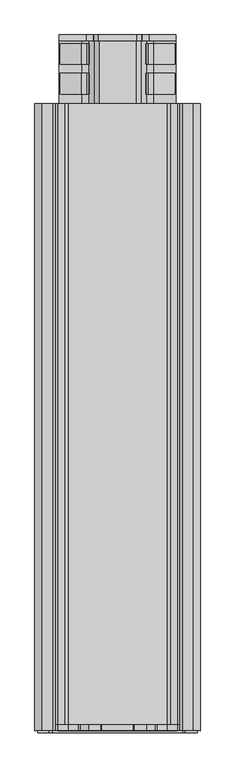
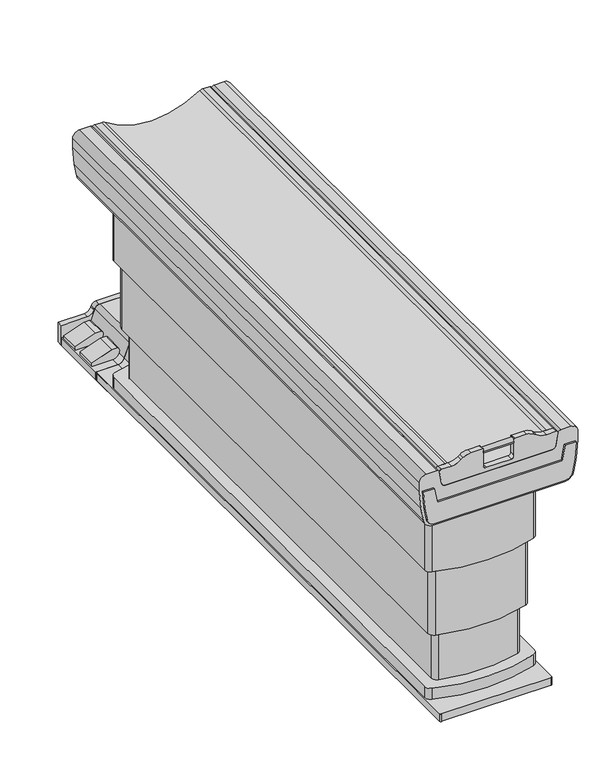
"""IFC4 building model written with IfcOpenShell, lengths in millimetres: proxy geometry."""

from ifc_helpers import new_model, si_unit, point, frame, frame_2d, origin, origin_with_axes, place, context, project, spatial, polyline, circle_curve, trimmed, segment, composite_curve, outline, extrude, source, transform, mapped, element, save
from ifc_brep_helpers import plane_surface, cylinder_surface, advanced_brep


def specialty_equipment_bc34f67b(model_context):
    return source(origin(), model_context, "Body", "SolidModel", [
        extrude(outline(composite_curve([segment(polyline([(28.2003, -196.617873), (28.2003, -122.5630228)]), True, "CONTINUOUS"), segment(trimmed(circle_curve(frame_2d((53.6003, -122.5630228)), 25.4), [point((28.2003, -122.5630228))], [point((63.9702255, -99.3762885))], False, "CARTESIAN"), True, "CONTINUOUS"), segment(polyline([(63.9702255, -99.3762885), (66.9622349, -103.898895), (66.9622349, -125.0132953), (40.9003, -196.617873), (28.2003, -196.617873)]), True, "CONTINUOUS")], self_intersect=False)), frame((0.0, -956.7511337, 0.0), z_axis=(0.0, 1.0, 0.0), x_axis=(0.0, 0.0, 1.0)), (0.0, 0.0, 1.0), 70.4790343),
        extrude(outline(composite_curve([segment(polyline([(28.2003, -196.617873), (28.2003, -122.5630228)]), True, "CONTINUOUS"), segment(trimmed(circle_curve(frame_2d((53.6003, -122.5630228)), 25.4), [point((28.2003, -122.5630228))], [point((63.9702255, -99.3762885))], False, "CARTESIAN"), True, "CONTINUOUS"), segment(polyline([(63.9702255, -99.3762885), (66.9622349, -103.898895), (66.9622349, -125.0132953), (40.9003, -196.617873), (28.2003, -196.617873)]), True, "CONTINUOUS")], self_intersect=False)), frame((0.0, -855.1511337, 0.0), z_axis=(0.0, 1.0, 0.0), x_axis=(0.0, 0.0, 1.0)), (0.0, 0.0, 1.0), 70.4790343),
        extrude(outline(composite_curve([segment(polyline([(28.2003, 197.314917), (40.9003, 197.314917), (66.9622349, 125.7103393), (66.9622349, 104.5959391), (63.9702255, 100.0733326)]), True, "CONTINUOUS"), segment(trimmed(circle_curve(frame_2d((53.6003, 123.2600668)), 25.4), [point((63.9702255, 100.0733326))], [point((28.2003, 123.2600668))], False, "CARTESIAN"), True, "CONTINUOUS"), segment(polyline([(28.2003, 123.2600668), (28.2003, 197.314917)]), True, "CONTINUOUS")], self_intersect=False)), frame((0.0, -956.7511337, 0.0), z_axis=(0.0, 1.0, 0.0), x_axis=(0.0, 0.0, 1.0)), (0.0, 0.0, 1.0), 70.4790343),
        extrude(outline(composite_curve([segment(polyline([(28.2003, 197.314917), (40.9003, 197.314917), (66.9622349, 125.7103393), (66.9622349, 104.5959391), (63.9702255, 100.0733326)]), True, "CONTINUOUS"), segment(trimmed(circle_curve(frame_2d((53.6003, 123.2600668)), 25.4), [point((63.9702255, 100.0733326))], [point((28.2003, 123.2600668))], False, "CARTESIAN"), True, "CONTINUOUS"), segment(polyline([(28.2003, 123.2600668), (28.2003, 197.314917)]), True, "CONTINUOUS")], self_intersect=False)), frame((0.0, -855.1511337, 0.0), z_axis=(0.0, 1.0, 0.0), x_axis=(0.0, 0.0, 1.0)), (0.0, 0.0, 1.0), 70.4790343),
        extrude(outline(composite_curve([segment(polyline([(74.3370828, 200.9707652), (74.3370828, 108.2010594)]), True, "CONTINUOUS"), segment(trimmed(circle_curve(frame_2d((99.7370828, 108.2010594)), 25.4), [point((74.3370828, 108.2010594))], [point((91.0497711, 84.3328669))], True, "CARTESIAN"), True, "CONTINUOUS"), segment(polyline([(91.0497711, 84.3328669), (95.1400665, 82.8441211)]), True, "CONTINUOUS"), segment(trimmed(circle_curve(frame_2d((88.6245828, 64.9429767)), 19.05), [point((95.1400665, 82.8441211))], [point((107.6745828, 64.9429767))], False, "CARTESIAN"), True, "CONTINUOUS"), segment(polyline([(107.6745828, 64.9429767), (107.6745828, -64.2459326)]), True, "CONTINUOUS"), segment(trimmed(circle_curve(frame_2d((88.6245828, -64.2459326)), 19.05), [point((107.6745828, -64.2459326))], [point((95.1400665, -82.147077))], False, "CARTESIAN"), True, "CONTINUOUS"), segment(polyline([(95.1400665, -82.147077), (91.0497711, -83.6358228)]), True, "CONTINUOUS"), segment(trimmed(circle_curve(frame_2d((99.7370828, -107.5040154)), 25.4), [point((91.0497711, -83.6358228))], [point((74.3370828, -107.5040154))], True, "CARTESIAN"), True, "CONTINUOUS"), segment(polyline([(74.3370828, -107.5040154), (74.3370828, -200.4337521), (0.0, -200.4337521), (0.0, 200.9707652), (74.3370828, 200.9707652)]), True, "CONTINUOUS")], self_intersect=False)), frame((0.0, -775.103083, 0.0), z_axis=(0.0, 1.0, 0.0), x_axis=(0.0, 0.0, 1.0)), (0.0, 0.0, 1.0), 20.6014487),
        advanced_brep(
        [(-200.4337521, -994.2776343, 28.2003), (-200.4337521, -3118.1275783, 28.2003), (-195.6032408, -3122.9535783, 28.2003), (196.1447653, -3122.9535783, 28.2003), (200.9707653, -3118.1275783, 28.2003), (200.9707652, -994.2289638, 28.2003), (196.8238393, -989.4516343, 28.2003), (-195.6077521, -989.4516343, 28.2003), (-196.617873, -3018.1693356, 28.2003), (-196.617873, -1094.3575364, 28.2003), (-181.2822987, -1073.0458479, 28.2003), (181.9793428, -1073.0458479, 28.2003), (197.314917, -1094.3575364, 28.2003), (197.314917, -3018.1693356, 28.2003), (181.9793428, -3039.481024, 28.2003), (-181.2822987, -3039.481024, 28.2003), (-200.4337521, -994.2776343, 0.0), (-195.6077521, -989.4516343, 0.0), (196.8238393, -989.4516343, 0.0), (200.9662453, -994.2289638, 0.0), (200.9707653, -3118.1275783, 0.0), (196.1447653, -3122.9535783, 0.0), (-195.6032408, -3122.9535783, 0.0), (-200.4292408, -3118.1275783, 0.0), (-196.617873, -1094.3575364, 69.5745828), (-196.617873, -3018.1693356, 69.5745828), (-181.2822987, -3039.481024, 69.5745828), (181.9793428, -3039.481024, 69.5745828), (197.314917, -3018.1693356, 69.5745828), (197.314917, -1094.3575364, 69.5745828), (181.9793428, -1073.0458479, 69.5745828), (-181.2822987, -1073.0458479, 69.5745828)],
        [
            (0, 1),
            (1, 2, circle_curve(frame((-195.6032408, -3118.1275783, 28.2003), z_axis=(0.0, 0.0, 1.0), x_axis=(-0.9999999920744435, -0.00012590120354916652, 0.0)), 4.826)),
            (2, 3),
            (3, 4, circle_curve(frame((196.1447653, -3118.1275783, 28.2003), z_axis=(0.0, 0.0, 1.0), x_axis=(0.0, -1.0, 0.0)), 4.826)),
            (4, 5),
            (5, 6, circle_curve(frame((196.1402453, -994.2289741, 28.2003), z_axis=(0.0, 0.0, 1.0), x_axis=(0.9999999999977356, 2.1281168546681103e-06, 0.0)), 4.826)),
            (6, 7),
            (7, 0, circle_curve(frame((-195.6077521, -994.2776343, 28.2003), z_axis=(0.0, 0.0, 1.0), x_axis=(-0.0001120377877256416, 0.9999999937237671, 0.0)), 4.826)),
            (8, 9),
            (9, 10, circle_curve(frame((-174.1417697, -1094.3575364, 28.2003), z_axis=(0.0, 0.0, -1.0), x_axis=(1.0, 0.0, 0.0)), 22.4761033)),
            (10, 11, circle_curve(frame((0.348522, -1615.1428587, 28.2003), z_axis=(0.0, 0.0, -1.0), x_axis=(1.0, 0.0, 0.0)), 571.7157722)),
            (11, 12, circle_curve(frame((174.8388137, -1094.3575364, 28.2003), z_axis=(0.0, 0.0, -1.0), x_axis=(-1.0, 0.0, 0.0)), 22.4761033)),
            (12, 13),
            (13, 14, circle_curve(frame((174.8388137, -3018.1693356, 28.2003), z_axis=(0.0, 0.0, -1.0), x_axis=(-1.0, 0.0, 0.0)), 22.4761033)),
            (14, 15, circle_curve(frame((0.348522, -2497.3840132, 28.2003), z_axis=(0.0, 0.0, -1.0), x_axis=(1.0, 0.0, 0.0)), 571.7157722)),
            (15, 8, circle_curve(frame((-174.1417697, -3018.1693356, 28.2003), z_axis=(0.0, 0.0, -1.0), x_axis=(1.0, 0.0, 0.0)), 22.4761033)),
            (16, 17, circle_curve(frame((-195.6077521, -994.2776343, 0.0), z_axis=(0.0, 0.0, -1.0), x_axis=(-0.0001120377877256416, 0.9999999937237671, 0.0)), 4.826)),
            (17, 18),
            (18, 19, circle_curve(frame((196.1402453, -994.2289741, 0.0), z_axis=(0.0, 0.0, -1.0), x_axis=(0.9999999999977356, 2.1281168546681103e-06, 0.0)), 4.826)),
            (19, 20),
            (20, 21, circle_curve(frame((196.1447653, -3118.1275783, 0.0), z_axis=(0.0, 0.0, -1.0), x_axis=(0.0, -1.0, 0.0)), 4.826)),
            (21, 22),
            (22, 23, circle_curve(frame((-195.6032408, -3118.1275783, 0.0), z_axis=(0.0, 0.0, -1.0), x_axis=(-0.9999999920744435, -0.00012590120354916652, 0.0)), 4.826)),
            (23, 16),
            (0, 16),
            (23, 1),
            (22, 2),
            (21, 3),
            (20, 4),
            (19, 5),
            (18, 6),
            (17, 7),
            (24, 25),
            (25, 26, circle_curve(frame((-174.1417697, -3018.1693356, 69.5745828), z_axis=(0.0, 0.0, 1.0), x_axis=(1.0, 0.0, 0.0)), 22.4761033)),
            (26, 27, circle_curve(frame((0.348522, -2497.3840132, 69.5745828), z_axis=(0.0, 0.0, 1.0), x_axis=(1.0, 0.0, 0.0)), 571.7157722)),
            (27, 28, circle_curve(frame((174.8388137, -3018.1693356, 69.5745828), z_axis=(0.0, 0.0, 1.0), x_axis=(-1.0, 0.0, 0.0)), 22.4761033)),
            (28, 29),
            (29, 30, circle_curve(frame((174.8388137, -1094.3575364, 69.5745828), z_axis=(0.0, 0.0, 1.0), x_axis=(-1.0, 0.0, 0.0)), 22.4761033)),
            (30, 31, circle_curve(frame((0.348522, -1615.1428587, 69.5745828), z_axis=(0.0, 0.0, 1.0), x_axis=(1.0, 0.0, 0.0)), 571.7157722)),
            (31, 24, circle_curve(frame((-174.1417697, -1094.3575364, 69.5745828), z_axis=(0.0, 0.0, 1.0), x_axis=(1.0, 0.0, 0.0)), 22.4761033)),
            (24, 9),
            (8, 25),
            (28, 13),
            (12, 29),
            (15, 26),
            (14, 27),
            (11, 30),
            (10, 31),
        ],
        [
            plane_surface(frame((-200.4337521, -994.2776446, 28.2003), z_axis=(0.0, 0.0, 1.0), x_axis=(0.0, -1.0, 0.0))),
            plane_surface(frame((-200.4337521, -994.2776446, 0.0), z_axis=(0.0, 0.0, -1.0), x_axis=(0.0, 1.0, 0.0))),
            plane_surface(frame((-200.4337521, -994.2776343, 28.2003), z_axis=(-1.0, 0.0, 0.0), x_axis=(0.0, 0.0, -1.0))),
            cylinder_surface(frame((-195.6032408, -3118.1275783, 0.0), z_axis=(0.0, 0.0, 1.0), x_axis=(-0.9999999920744435, -0.00012590120354916652, 0.0)), 4.826),
            plane_surface(frame((-195.6032408, -3122.9535783, 28.2003), z_axis=(0.0, -1.0, 0.0), x_axis=(0.0, 0.0, -1.0))),
            cylinder_surface(frame((196.1447653, -3118.1275783, 0.0), z_axis=(0.0, 0.0, 1.0), x_axis=(0.0, -1.0, 0.0)), 4.826),
            plane_surface(frame((200.9707653, -3118.1275783, 28.2003), z_axis=(1.0, 1.8065360489955816e-11, 0.0), x_axis=(0.0, 0.0, -1.0))),
            cylinder_surface(frame((196.1402453, -994.2289741, 0.0), z_axis=(0.0, 0.0, 1.0), x_axis=(0.9999999999977356, 2.1281168546681103e-06, 0.0)), 4.826),
            plane_surface(frame((196.8238393, -989.4516343, 28.2003), z_axis=(0.0, 1.0, 0.0), x_axis=(0.0, 0.0, -1.0))),
            cylinder_surface(frame((-195.6077521, -994.2776343, 0.0), z_axis=(0.0, 0.0, 1.0000000000000002), x_axis=(-0.0001120377877256416, 0.9999999937237671, 0.0)), 4.826),
            plane_surface(frame((-196.617873, -1834.0997854, 69.5745828), z_axis=(0.0, 0.0, 1.0), x_axis=(0.0, -1.0, 0.0))),
            plane_surface(frame((-196.617873, -1094.3575364, 69.5745828), z_axis=(-1.0, 0.0, 0.0), x_axis=(0.0, 0.0, -1.0))),
            plane_surface(frame((197.314917, -3018.1693356, 69.5745828), z_axis=(1.0, 0.0, 0.0), x_axis=(0.0, 0.0, -1.0))),
            cylinder_surface(frame((-174.1417697, -3018.1693356, 0.0), z_axis=(0.0, 0.0, 1.0), x_axis=(1.0, 0.0, 0.0)), 22.4761033),
            cylinder_surface(frame((0.348522, -2497.3840132, 0.0), z_axis=(0.0, 0.0, 1.0), x_axis=(1.0, 0.0, 0.0)), 571.7157722),
            cylinder_surface(frame((174.8388137, -3018.1693356, 0.0), z_axis=(0.0, 0.0, 1.0), x_axis=(-1.0, 0.0, 0.0)), 22.4761033),
            cylinder_surface(frame((174.8388137, -1094.3575364, 0.0), z_axis=(0.0, 0.0, 1.0), x_axis=(-1.0, 0.0, 0.0)), 22.4761033),
            cylinder_surface(frame((0.348522, -1615.1428587, 0.0), z_axis=(0.0, 0.0, 1.0), x_axis=(1.0, 0.0, 0.0)), 571.7157722),
            cylinder_surface(frame((-174.1417697, -1094.3575364, 0.0), z_axis=(0.0, 0.0, 1.0), x_axis=(1.0, 0.0, 0.0)), 22.4761033),
        ],
        [
            (0, [[1, 2, 3, 4, 5, 6, 7, 8], [9, 10, 11, 12, 13, 14, 15, 16]]),
            (1, [[17, 18, 19, 20, 21, 22, 23, 24]]),
            (2, [[-1, 25, -24, 26]]),
            (3, [[-2, -26, -23, 27]]),
            (4, [[-3, -27, -22, 28]]),
            (5, [[-4, -28, -21, 29]]),
            (6, [[-5, -29, -20, 30]]),
            (7, [[-6, -30, -19, 31]]),
            (8, [[-7, -31, -18, 32]]),
            (9, [[-8, -32, -17, -25]]),
            (10, [[33, 34, 35, 36, 37, 38, 39, 40]]),
            (11, [[-33, 41, -9, 42]]),
            (12, [[-37, 43, -13, 44]]),
            (13, [[-34, -42, -16, 45]]),
            (14, [[-35, -45, -15, 46]]),
            (15, [[-36, -46, -14, -43]]),
            (16, [[-38, -44, -12, 47]]),
            (17, [[-39, -47, -11, 48]]),
            (18, [[-40, -48, -10, -41]]),
        ],
    ),
        extrude(outline(composite_curve([segment(polyline([(28.2003, 200.9707652), (28.2003, 123.2600668)]), True, "CONTINUOUS"), segment(trimmed(circle_curve(frame_2d((53.6003, 123.2600668)), 25.4), [point((28.2003, 123.2600668))], [point((44.9129883, 99.3918743))], True, "CARTESIAN"), True, "CONTINUOUS"), segment(polyline([(44.9129883, 99.3918743), (95.1400665, 81.1107129)]), True, "CONTINUOUS"), segment(trimmed(circle_curve(frame_2d((88.6245828, 63.2095684)), 19.05), [point((95.1400665, 81.1107129))], [point((107.6745828, 63.2095684))], False, "CARTESIAN"), True, "CONTINUOUS"), segment(polyline([(107.6745828, 63.2095684), (107.6745828, -62.5125244)]), True, "CONTINUOUS"), segment(trimmed(circle_curve(frame_2d((88.6245828, -62.5125244)), 19.05), [point((107.6745828, -62.5125244))], [point((95.1400665, -80.4136688))], False, "CARTESIAN"), True, "CONTINUOUS"), segment(polyline([(95.1400665, -80.4136688), (44.9129883, -98.6948302)]), True, "CONTINUOUS"), segment(trimmed(circle_curve(frame_2d((53.6003, -122.5630228)), 25.4), [point((44.9129883, -98.6948302))], [point((28.2003, -122.5630228))], True, "CARTESIAN"), True, "CONTINUOUS"), segment(polyline([(28.2003, -122.5630228), (28.2003, -200.4337521), (0.0, -200.4337521), (0.0, 200.9707652), (28.2003, 200.9707652)]), True, "CONTINUOUS")], self_intersect=False)), frame((0.0, -1139.4378977, 0.0), z_axis=(0.0, 1.0, 0.0), x_axis=(0.0, 0.0, 1.0)), (0.0, 0.0, 1.0), 149.9862634),
        extrude(outline(composite_curve([segment(polyline([(28.2003, 200.9707652), (28.2003, 123.2600668)]), True, "CONTINUOUS"), segment(trimmed(circle_curve(frame_2d((53.6003, 123.2600668)), 25.4), [point((28.2003, 123.2600668))], [point((44.9129883, 99.3918743))], True, "CARTESIAN"), True, "CONTINUOUS"), segment(polyline([(44.9129883, 99.3918743), (95.1400665, 81.1107129)]), True, "CONTINUOUS"), segment(trimmed(circle_curve(frame_2d((88.6245828, 63.2095684)), 19.05), [point((95.1400665, 81.1107129))], [point((107.6745828, 63.2095684))], False, "CARTESIAN"), True, "CONTINUOUS"), segment(polyline([(107.6745828, 63.2095684), (107.6745828, -62.5125244)]), True, "CONTINUOUS"), segment(trimmed(circle_curve(frame_2d((88.6245828, -62.5125244)), 19.05), [point((107.6745828, -62.5125244))], [point((95.1400665, -80.4136688))], False, "CARTESIAN"), True, "CONTINUOUS"), segment(polyline([(95.1400665, -80.4136688), (44.9129883, -98.6948302)]), True, "CONTINUOUS"), segment(trimmed(circle_curve(frame_2d((53.6003, -122.5630228)), 25.4), [point((44.9129883, -98.6948302))], [point((28.2003, -122.5630228))], True, "CARTESIAN"), True, "CONTINUOUS"), segment(polyline([(28.2003, -122.5630228), (28.2003, -200.4337521), (0.0, -200.4337521), (0.0, 200.9707652), (28.2003, 200.9707652)]), True, "CONTINUOUS")], self_intersect=False)), frame((0.0, -989.4516343, 0.0), z_axis=(0.0, 1.0, 0.0), x_axis=(0.0, 0.0, 1.0)), (0.0, 0.0, 1.0), 214.3485513),
        extrude(outline(composite_curve([segment(trimmed(circle_curve(frame_2d((0.348522, -1615.1428587)), 551.7157722), [point((-160.685126, -1087.4512277))], [point((161.3821701, -1087.4512277))], False, "CARTESIAN"), True, "CONTINUOUS"), segment(trimmed(circle_curve(frame_2d((154.814917, -1108.9714783)), 22.5), [point((161.3821701, -1087.4512277))], [point((177.314917, -1108.9714783))], False, "CARTESIAN"), True, "CONTINUOUS"), segment(polyline([(177.314917, -1108.9714783), (177.314917, -3003.5553936)]), True, "CONTINUOUS"), segment(trimmed(circle_curve(frame_2d((154.814917, -3003.5553936)), 22.5), [point((177.314917, -3003.5553936))], [point((161.3821701, -3025.0756442))], False, "CARTESIAN"), True, "CONTINUOUS"), segment(trimmed(circle_curve(frame_2d((0.348522, -2497.3840132)), 551.7157722), [point((161.3821701, -3025.0756442))], [point((-160.685126, -3025.0756442))], False, "CARTESIAN"), True, "CONTINUOUS"), segment(trimmed(circle_curve(frame_2d((-154.117873, -3003.5553936)), 22.5), [point((-160.685126, -3025.0756442))], [point((-176.617873, -3003.5553936))], False, "CARTESIAN"), True, "CONTINUOUS"), segment(polyline([(-176.617873, -3003.5553936), (-176.617873, -1108.9714783)]), True, "CONTINUOUS"), segment(trimmed(circle_curve(frame_2d((-154.117873, -1108.9714783)), 22.5), [point((-176.617873, -1108.9714783))], [point((-160.685126, -1087.4512277))], False, "CARTESIAN"), True, "CONTINUOUS")], self_intersect=False)), frame((0.0, 0.0, 255.0), z_axis=(0.0, 0.0, 1.0), x_axis=(1.0, 0.0, 0.0)), (0.0, 0.0, 1.0), 255.0),
        extrude(outline(composite_curve([segment(trimmed(circle_curve(frame_2d((0.348522, -1615.1428587)), 531.7157722), [point((-140.0593501, -1102.3004932))], [point((140.7563942, -1102.3004932))], False, "CARTESIAN"), True, "CONTINUOUS"), segment(trimmed(circle_curve(frame_2d((134.814917, -1124.0018492)), 22.5), [point((140.7563942, -1102.3004932))], [point((157.314917, -1124.0018492))], False, "CARTESIAN"), True, "CONTINUOUS"), segment(polyline([(157.314917, -1124.0018492), (157.314917, -2988.5250227)]), True, "CONTINUOUS"), segment(trimmed(circle_curve(frame_2d((134.814917, -2988.5250227)), 22.5), [point((157.314917, -2988.5250227))], [point((140.7563942, -3010.2263787))], False, "CARTESIAN"), True, "CONTINUOUS"), segment(trimmed(circle_curve(frame_2d((0.348522, -2497.3840132)), 531.7157722), [point((140.7563942, -3010.2263787))], [point((-140.0593501, -3010.2263787))], False, "CARTESIAN"), True, "CONTINUOUS"), segment(trimmed(circle_curve(frame_2d((-134.117873, -2988.5250227)), 22.5), [point((-140.0593501, -3010.2263787))], [point((-156.617873, -2988.5250227))], False, "CARTESIAN"), True, "CONTINUOUS"), segment(polyline([(-156.617873, -2988.5250227), (-156.617873, -1124.0018492)]), True, "CONTINUOUS"), segment(trimmed(circle_curve(frame_2d((-134.117873, -1124.0018492)), 22.5), [point((-156.617873, -1124.0018492))], [point((-140.0593501, -1102.3004932))], False, "CARTESIAN"), True, "CONTINUOUS")], self_intersect=False)), origin_with_axes(), (0.0, 0.0, 1.0), 255.0),
        extrude(outline(composite_curve([segment(trimmed(circle_curve(frame_2d((-3127.9359549, 978.8051245)), 10.0), [point((-3137.9359549, 978.8051245))], [point((-3117.9359549, 978.8051245))], False, "CARTESIAN"), True, "CONTINUOUS"), segment(trimmed(circle_curve(frame_2d((-3127.9359549, 978.8051245)), 10.0), [point((-3117.9359549, 978.8051245))], [point((-3137.9359549, 978.8051245))], False, "CARTESIAN"), True, "CONTINUOUS")], self_intersect=False)), frame((-54.651478, 0.0, 0.0), z_axis=(1.0, 0.0, 0.0), x_axis=(0.0, 1.0, 0.0)), (0.0, 0.0, 1.0), 110.0),
        extrude(outline(composite_curve([segment(trimmed(circle_curve(frame_2d((914.1454335, 191.9078432)), 12.8370287), [point((901.3084047, 191.9078432))], [point((911.9163068, 204.5498486))], False, "CARTESIAN"), True, "CONTINUOUS"), segment(polyline([(911.9163068, 204.5498486), (957.353719, 212.5616903)]), True, "CONTINUOUS"), segment(trimmed(circle_curve(frame_2d((958.4850314, 206.1456988)), 6.5149686), [point((957.353719, 212.5616903))], [point((965.0, 206.1456988))], False, "CARTESIAN"), True, "CONTINUOUS"), segment(polyline([(965.0, 206.1456988), (965.0, 170.4390625)]), True, "CONTINUOUS"), segment(trimmed(circle_curve(frame_2d((1025.0, 170.4390625)), 60.0), [point((965.0, 170.4390625))], [point((976.6650635, 134.8900272))], True, "CARTESIAN"), True, "CONTINUOUS"), segment(polyline([(976.6650635, 134.8900272), (981.6845331, 128.0652078)]), True, "CONTINUOUS"), segment(trimmed(circle_curve(frame_2d((942.8670577, 99.5160071)), 48.1856125), [point((981.6845331, 128.0652078))], [point((991.0526702, 99.5160071))], False, "CARTESIAN"), True, "CONTINUOUS"), segment(polyline([(991.0526702, 99.5160071), (991.0526702, 57.5401867)]), True, "CONTINUOUS"), segment(trimmed(circle_curve(frame_2d((988.8610055, 57.5401867)), 2.1916647), [point((991.0526702, 57.5401867))], [point((988.8610055, 55.348522))], False, "CARTESIAN"), True, "CONTINUOUS"), segment(polyline([(988.8610055, 55.348522), (926.3084047, 55.348522)]), True, "CONTINUOUS"), segment(trimmed(circle_curve(frame_2d((926.3084047, 45.348522)), 10.0), [point((926.3084047, 55.348522))], [point((916.3084047, 45.348522))], True, "CARTESIAN"), True, "CONTINUOUS"), segment(polyline([(916.3084047, 45.348522), (916.3084047, -44.651478)]), True, "CONTINUOUS"), segment(trimmed(circle_curve(frame_2d((926.3084047, -44.651478)), 10.0), [point((916.3084047, -44.651478))], [point((926.3084047, -54.651478))], True, "CARTESIAN"), True, "CONTINUOUS"), segment(polyline([(926.3084047, -54.651478), (988.7053298, -54.651478)]), True, "CONTINUOUS"), segment(trimmed(circle_curve(frame_2d((988.7053298, -56.9988184)), 2.3473404), [point((988.7053298, -54.651478))], [point((991.0526702, -56.9988184))], False, "CARTESIAN"), True, "CONTINUOUS"), segment(polyline([(991.0526702, -56.9988184), (991.0526702, -98.818963)]), True, "CONTINUOUS"), segment(trimmed(circle_curve(frame_2d((942.8670577, -98.818963)), 48.1856125), [point((991.0526702, -98.818963))], [point((981.6845331, -127.3681637))], False, "CARTESIAN"), True, "CONTINUOUS"), segment(polyline([(981.6845331, -127.3681637), (976.6650635, -134.1929831)]), True, "CONTINUOUS"), segment(trimmed(circle_curve(frame_2d((1025.0, -169.7420184)), 60.0), [point((976.6650635, -134.1929831))], [point((965.0, -169.7420184))], True, "CARTESIAN"), True, "CONTINUOUS"), segment(polyline([(965.0, -169.7420184), (965.0, -205.4486547)]), True, "CONTINUOUS"), segment(trimmed(circle_curve(frame_2d((958.4850314, -205.4486547)), 6.5149686), [point((965.0, -205.4486547))], [point((957.353719, -211.8646463))], False, "CARTESIAN"), True, "CONTINUOUS"), segment(polyline([(957.353719, -211.8646463), (911.9163068, -203.8528046)]), True, "CONTINUOUS"), segment(trimmed(circle_curve(frame_2d((914.1454335, -191.2107991)), 12.8370287), [point((911.9163068, -203.8528046))], [point((901.3084047, -191.2107991))], False, "CARTESIAN"), True, "CONTINUOUS"), segment(polyline([(901.3084047, -191.2107991), (901.3084047, 191.9078432)]), True, "CONTINUOUS")], self_intersect=False)), frame((0.0, -3137.9791883, 0.0), z_axis=(0.0, 1.0, 0.0), x_axis=(0.0, 0.0, 1.0)), (0.0, 0.0, 1.0), 19.8762806),
        extrude(outline(composite_curve([segment(polyline([(843.8280322, -267.743683), (795.6587956, -259.2501469)]), True, "CONTINUOUS"), segment(trimmed(circle_curve(frame_2d((800.0, -234.6299531)), 25.0), [point((795.6587956, -259.2501469))], [point((775.0, -234.6299531))], False, "CARTESIAN"), True, "CONTINUOUS"), segment(polyline([(775.0, -234.6299531), (775.0, 235.3269972)]), True, "CONTINUOUS"), segment(trimmed(circle_curve(frame_2d((800.0, 235.3269972)), 25.0), [point((775.0, 235.3269972))], [point((795.6587956, 259.947191))], False, "CARTESIAN"), True, "CONTINUOUS"), segment(polyline([(795.6587956, 259.947191), (843.8280322, 268.4407271)]), True, "CONTINUOUS"), segment(trimmed(circle_curve(frame_2d((906.3413762, -86.090064)), 360.0), [point((843.8280322, 268.4407271))], [point((906.3413762, 273.909936))], False, "CARTESIAN"), True, "CONTINUOUS"), segment(polyline([(906.3413762, 273.909936), (906.3413762, 234.0296363), (851.3084047, 224.3258386), (851.3084047, -223.6287945), (906.3413762, -233.3325922), (906.3413762, -273.2128919)]), True, "CONTINUOUS"), segment(trimmed(circle_curve(frame_2d((906.3413762, 86.7871081)), 360.0), [point((906.3413762, -273.2128919))], [point((843.8280322, -267.743683))], False, "CARTESIAN"), True, "CONTINUOUS")], self_intersect=False)), frame((0.0, -3144.9731677, 0.0), z_axis=(0.0, 1.0, 0.0), x_axis=(0.0, 0.0, 1.0)), (0.0, 0.0, 1.0), 6.9939794),
        extrude(outline(composite_curve([segment(trimmed(circle_curve(frame_2d((914.1454335, 191.9078432)), 12.8370287), [point((901.3084047, 191.9078432))], [point((911.9163068, 204.5498486))], False, "CARTESIAN"), True, "CONTINUOUS"), segment(polyline([(911.9163068, 204.5498486), (957.353719, 212.5616903)]), True, "CONTINUOUS"), segment(trimmed(circle_curve(frame_2d((958.4850314, 206.1456988)), 6.5149686), [point((957.353719, 212.5616903))], [point((965.0, 206.1456988))], False, "CARTESIAN"), True, "CONTINUOUS"), segment(polyline([(965.0, 206.1456988), (965.0, 181.3500482)]), True, "CONTINUOUS"), segment(trimmed(circle_curve(frame_2d((945.0, 181.3500482)), 20.0), [point((965.0, 181.3500482))], [point((961.4925555, 170.0365336))], False, "CARTESIAN"), True, "CONTINUOUS"), segment(trimmed(circle_curve(frame_2d((1208.8594478, 0.348522)), 299.974), [point((961.4925555, 170.0365336))], [point((961.4925555, -169.3394895))], True, "CARTESIAN"), True, "CONTINUOUS"), segment(trimmed(circle_curve(frame_2d((945.0, -180.6530041)), 20.0), [point((961.4925555, -169.3394895))], [point((965.0, -180.6530041))], False, "CARTESIAN"), True, "CONTINUOUS"), segment(polyline([(965.0, -180.6530041), (965.0, -205.4486547)]), True, "CONTINUOUS"), segment(trimmed(circle_curve(frame_2d((958.4850314, -205.4486547)), 6.5149686), [point((965.0, -205.4486547))], [point((957.353719, -211.8646463))], False, "CARTESIAN"), True, "CONTINUOUS"), segment(polyline([(957.353719, -211.8646463), (911.9163068, -203.8528046)]), True, "CONTINUOUS"), segment(trimmed(circle_curve(frame_2d((914.1454335, -191.2107991)), 12.8370287), [point((911.9163068, -203.8528046))], [point((901.3084047, -191.2107991))], False, "CARTESIAN"), True, "CONTINUOUS"), segment(polyline([(901.3084047, -191.2107991), (901.3084047, 191.9078432)]), True, "CONTINUOUS")], self_intersect=False)), frame((0.0, -3118.1029077, 0.0), z_axis=(0.0, 1.0, 0.0), x_axis=(0.0, 0.0, 1.0)), (0.0, 0.0, 1.0), 2128.6512734),
        extrude(outline(composite_curve([segment(trimmed(circle_curve(frame_2d((800.0, 235.3269972)), 35.0), [point((765.0, 235.3269972))], [point((793.9223138, 269.7952685))], False, "CARTESIAN"), True, "CONTINUOUS"), segment(polyline([(793.9223138, 269.7952685), (842.0915504, 278.2888046)]), True, "CONTINUOUS"), segment(trimmed(circle_curve(frame_2d((906.3413762, -86.090064)), 370.0), [point((842.0915504, 278.2888046))], [point((906.3413762, 283.909936))], False, "CARTESIAN"), True, "CONTINUOUS"), segment(polyline([(906.3413762, 283.909936), (940.0, 283.909936)]), True, "CONTINUOUS"), segment(trimmed(circle_curve(frame_2d((940.0, 258.909936)), 25.0), [point((940.0, 283.909936))], [point((965.0, 258.909936))], False, "CARTESIAN"), True, "CONTINUOUS"), segment(polyline([(965.0, 258.909936), (965.0, 222.3009323)]), True, "CONTINUOUS"), segment(trimmed(circle_curve(frame_2d((955.0, 222.3009323)), 10.0), [point((965.0, 222.3009323))], [point((956.7364818, 212.4528548))], False, "CARTESIAN"), True, "CONTINUOUS"), segment(polyline([(956.7364818, 212.4528548), (911.9163068, 204.5498486)]), True, "CONTINUOUS"), segment(trimmed(circle_curve(frame_2d((914.1454335, 191.9078432)), 12.8370287), [point((911.9163068, 204.5498486))], [point((901.3084047, 191.9078432))], True, "CARTESIAN"), True, "CONTINUOUS"), segment(polyline([(901.3084047, 191.9078432), (901.3084047, -191.2107991)]), True, "CONTINUOUS"), segment(trimmed(circle_curve(frame_2d((914.1454335, -191.2107991)), 12.8370287), [point((901.3084047, -191.2107991))], [point((911.9163068, -203.8528046))], True, "CARTESIAN"), True, "CONTINUOUS"), segment(polyline([(911.9163068, -203.8528046), (956.7364818, -211.7558107)]), True, "CONTINUOUS"), segment(trimmed(circle_curve(frame_2d((955.0, -221.6038882)), 10.0), [point((956.7364818, -211.7558107))], [point((965.0, -221.6038882))], False, "CARTESIAN"), True, "CONTINUOUS"), segment(polyline([(965.0, -221.6038882), (965.0, -258.2128919)]), True, "CONTINUOUS"), segment(trimmed(circle_curve(frame_2d((940.0, -258.2128919)), 25.0), [point((965.0, -258.2128919))], [point((940.0, -283.2128919))], False, "CARTESIAN"), True, "CONTINUOUS"), segment(polyline([(940.0, -283.2128919), (906.3413762, -283.2128919)]), True, "CONTINUOUS"), segment(trimmed(circle_curve(frame_2d((906.3413762, 86.7871081)), 370.0), [point((906.3413762, -283.2128919))], [point((842.0915504, -277.5917605))], False, "CARTESIAN"), True, "CONTINUOUS"), segment(polyline([(842.0915504, -277.5917605), (793.9223138, -269.0982245)]), True, "CONTINUOUS"), segment(trimmed(circle_curve(frame_2d((800.0, -234.6299531)), 35.0), [point((793.9223138, -269.0982245))], [point((765.0, -234.6299531))], False, "CARTESIAN"), True, "CONTINUOUS"), segment(polyline([(765.0, -234.6299531), (765.0, 235.3269972)]), True, "CONTINUOUS")], self_intersect=False)), frame((0.0, -3137.9791883, 0.0), z_axis=(0.0, 1.0, 0.0), x_axis=(0.0, 0.0, 1.0)), (0.0, 0.0, 1.0), 2148.527554),
        extrude(outline(composite_curve([segment(trimmed(circle_curve(frame_2d((0.348522, -1615.1428587)), 551.7157722), [point((-160.685126, -1087.4512277))], [point((161.3821701, -1087.4512277))], False, "CARTESIAN"), True, "CONTINUOUS"), segment(trimmed(circle_curve(frame_2d((154.814917, -1108.9714783)), 22.5), [point((161.3821701, -1087.4512277))], [point((177.314917, -1108.9714783))], False, "CARTESIAN"), True, "CONTINUOUS"), segment(polyline([(177.314917, -1108.9714783), (177.314917, -3003.5553936)]), True, "CONTINUOUS"), segment(trimmed(circle_curve(frame_2d((154.814917, -3003.5553936)), 22.5), [point((177.314917, -3003.5553936))], [point((161.3821701, -3025.0756442))], False, "CARTESIAN"), True, "CONTINUOUS"), segment(trimmed(circle_curve(frame_2d((0.348522, -2497.3840132)), 551.7157722), [point((161.3821701, -3025.0756442))], [point((-160.685126, -3025.0756442))], False, "CARTESIAN"), True, "CONTINUOUS"), segment(trimmed(circle_curve(frame_2d((-154.117873, -3003.5553936)), 22.5), [point((-160.685126, -3025.0756442))], [point((-176.617873, -3003.5553936))], False, "CARTESIAN"), True, "CONTINUOUS"), segment(polyline([(-176.617873, -3003.5553936), (-176.617873, -1108.9714783)]), True, "CONTINUOUS"), segment(trimmed(circle_curve(frame_2d((-154.117873, -1108.9714783)), 22.5), [point((-176.617873, -1108.9714783))], [point((-160.685126, -1087.4512277))], False, "CARTESIAN"), True, "CONTINUOUS")], self_intersect=False)), frame((0.0, 0.0, 255.0), z_axis=(0.0, 0.0, 1.0), x_axis=(1.0, 0.0, 0.0)), (0.0, 0.0, 1.0), 255.0),
        extrude(outline(composite_curve([segment(trimmed(circle_curve(frame_2d((-174.1417697, -1094.3575364)), 22.4761033), [point((-196.617873, -1094.3575364))], [point((-181.2822987, -1073.0458479))], False, "CARTESIAN"), True, "CONTINUOUS"), segment(trimmed(circle_curve(frame_2d((0.348522, -1615.1428587)), 571.7157722), [point((-181.2822987, -1073.0458479))], [point((181.9793428, -1073.0458479))], False, "CARTESIAN"), True, "CONTINUOUS"), segment(trimmed(circle_curve(frame_2d((174.8388137, -1094.3575364)), 22.4761033), [point((181.9793428, -1073.0458479))], [point((197.314917, -1094.3575364))], False, "CARTESIAN"), True, "CONTINUOUS"), segment(polyline([(197.314917, -1094.3575364), (197.314917, -3018.1693356)]), True, "CONTINUOUS"), segment(trimmed(circle_curve(frame_2d((174.8388137, -3018.1693356)), 22.4761033), [point((197.314917, -3018.1693356))], [point((181.9793428, -3039.481024))], False, "CARTESIAN"), True, "CONTINUOUS"), segment(trimmed(circle_curve(frame_2d((0.348522, -2497.3840132)), 571.7157722), [point((181.9793428, -3039.481024))], [point((-181.2822987, -3039.481024))], False, "CARTESIAN"), True, "CONTINUOUS"), segment(trimmed(circle_curve(frame_2d((-174.1417697, -3018.1693356)), 22.4761033), [point((-181.2822987, -3039.481024))], [point((-196.617873, -3018.1693356))], False, "CARTESIAN"), True, "CONTINUOUS"), segment(polyline([(-196.617873, -3018.1693356), (-196.617873, -1094.3575364)]), True, "CONTINUOUS")], self_intersect=False)), frame((0.0, 0.0, 510.0), z_axis=(0.0, 0.0, 1.0), x_axis=(1.0, 0.0, 0.0)), (0.0, 0.0, 1.0), 255.0),
    ])


if __name__ == "__main__":
    model = new_model("IFC4")
    model_context = context("Model", 3, world=origin())
    ifc_project = project(units=[si_unit("LENGTHUNIT", "METRE", prefix="MILLI")], contexts=[model_context])
    site = spatial("IfcSite", under=ifc_project)
    building = spatial("IfcBuilding", under=site)
    placement = place(None, origin())
    specialty_equipment_shape = specialty_equipment_bc34f67b(model_context)
    element("IfcBuildingElementProxy", 1, Name="Specialty Equipment", at=placement, inside=building, context=model_context, shape_type="MappedRepresentation", body=[
        mapped(specialty_equipment_shape, transform((0.0, 0.0, 0.0), x_axis=(1.0, 0.0, 0.0), y_axis=(0.0, 1.0, 0.0), z_axis=(0.0, 0.0, 1.0))),
    ])
    save(model, "model.ifc")
